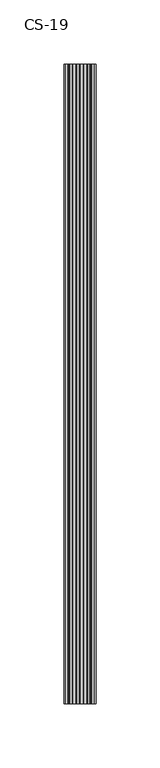
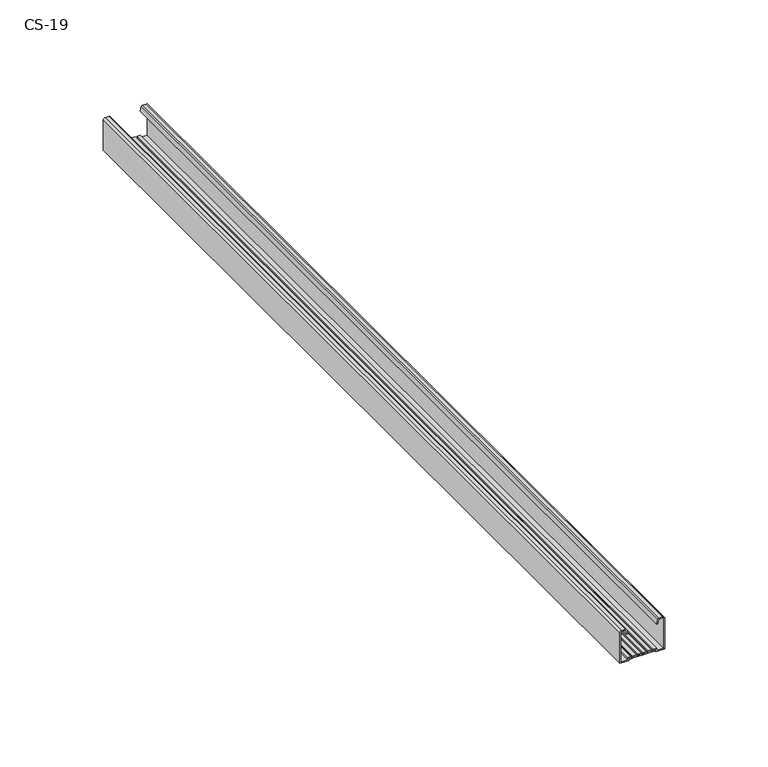
"""IFC4 building model written with IfcOpenShell, lengths in millimetres: proxy geometry, CS-19."""

from ifc_helpers import new_model, si_unit, point, frame, frame_2d, origin, place, context, project, spatial, polyline, circle_curve, trimmed, segment, composite_curve, outline, extrude, source, transform, mapped, element, save


def cs_19_cb3a0c82(model_context):
    return source(origin(), model_context, "Body", "SweptSolid", [
        extrude(outline(composite_curve([segment(polyline([(-19.0, -12.5), (-19.0, -7.6), (-17.7, -7.6), (-17.7, -6.8), (-18.5, -6.8), (-18.5, -4.7), (-17.7, -4.7), (-17.7, -3.9), (-18.5, -3.9), (-18.5, -1.8), (-17.7, -1.8), (-17.7, -1.0), (-18.5, -1.0), (-18.5, 1.0), (-17.7, 1.0), (-17.7, 1.8), (-18.5, 1.8), (-18.5, 3.9), (-17.7, 3.9), (-17.7, 4.7), (-18.5, 4.7), (-18.5, 6.8), (-17.7, 6.8), (-17.7, 7.6), (-19.0, 7.6), (-19.0, 12.5), (-1.0, 12.5)]), True, "CONTINUOUS"), segment(trimmed(circle_curve(frame_2d((-1.0, 11.5)), 1.0), [point((-1.0, 12.5))], [point((0.0, 11.5))], False, "CARTESIAN"), True, "CONTINUOUS"), segment(polyline([(0.0, 11.5), (0.0, 9.2778679)]), True, "CONTINUOUS"), segment(trimmed(circle_curve(frame_2d((-0.7947911, 9.3690108)), 0.8), [point((0.0, 9.2778679))], [point((-0.4479055, 8.6481292))], False, "CARTESIAN"), True, "CONTINUOUS"), segment(polyline([(-0.4479055, 8.6481292), (-2.9940841, 8.0), (-3.1346768, 8.7973409), (-0.5, 9.1466568), (-0.5, 11.5)]), True, "CONTINUOUS"), segment(trimmed(circle_curve(frame_2d((-1.0, 11.5)), 0.5), [point((-0.5, 11.5))], [point((-1.0, 12.0))], True, "CARTESIAN"), True, "CONTINUOUS"), segment(polyline([(-1.0, 12.0), (-18.5, 12.0), (-18.5, 8.0671937), (-17.2, 8.0671937), (-17.2, 6.3), (-18.0, 6.3), (-18.0, 5.2), (-17.2, 5.2), (-17.2, 3.4), (-18.0, 3.4), (-18.0, 2.3), (-17.2, 2.3), (-17.2, 0.5), (-18.0, 0.5), (-18.0, -0.5), (-17.2, -0.5), (-17.2, -2.3), (-18.0, -2.3), (-18.0, -3.4), (-17.2, -3.4), (-17.2, -5.2), (-18.0, -5.2), (-18.0, -6.3), (-17.2, -6.3), (-17.2, -8.1), (-18.5, -8.1), (-18.5, -12.0), (-1.0, -12.0)]), True, "CONTINUOUS"), segment(trimmed(circle_curve(frame_2d((-1.0, -11.5)), 0.5), [point((-1.0, -12.0))], [point((-0.5, -11.5))], True, "CARTESIAN"), True, "CONTINUOUS"), segment(polyline([(-0.5, -11.5), (-0.5, -9.1466568), (-3.1346768, -8.7973409), (-2.9940841, -8.0), (-0.4479055, -8.6481292)]), True, "CONTINUOUS"), segment(trimmed(circle_curve(frame_2d((-0.7947911, -9.3690108)), 0.8), [point((-0.4479055, -8.6481292))], [point((0.0, -9.2778679))], False, "CARTESIAN"), True, "CONTINUOUS"), segment(polyline([(0.0, -9.2778679), (0.0, -11.5)]), True, "CONTINUOUS"), segment(trimmed(circle_curve(frame_2d((-1.0, -11.5)), 1.0), [point((0.0, -11.5))], [point((-1.0, -12.5))], False, "CARTESIAN"), True, "CONTINUOUS"), segment(polyline([(-1.0, -12.5), (-19.0, -12.5)]), True, "CONTINUOUS")], self_intersect=False)), frame((0.0, 0.0, 0.0), z_axis=(0.0, 1.0, 0.0), x_axis=(0.0, 0.0, 1.0)), (0.0, 0.0, 1.0), 499.2),
    ])


if __name__ == "__main__":
    model = new_model("IFC4")
    model_context = context("Model", 3, world=origin())
    ifc_project = project(units=[si_unit("LENGTHUNIT", "METRE", prefix="MILLI")], contexts=[model_context])
    site = spatial("IfcSite", under=ifc_project)
    building = spatial("IfcBuilding", under=site)
    placement = place(None, origin())
    cs_19_shape = cs_19_cb3a0c82(model_context)
    element("IfcBuildingElementProxy", 1, Name="CS-19", ObjectType="CS-19", at=placement, inside=building, context=model_context, shape_type="MappedRepresentation", body=[
        mapped(cs_19_shape, transform((0.0, 0.0, 0.0), x_axis=(1.0, 0.0, 0.0), y_axis=(0.0, 1.0, 0.0), z_axis=(0.0, 0.0, 1.0))),
    ])
    save(model, "model.ifc")
